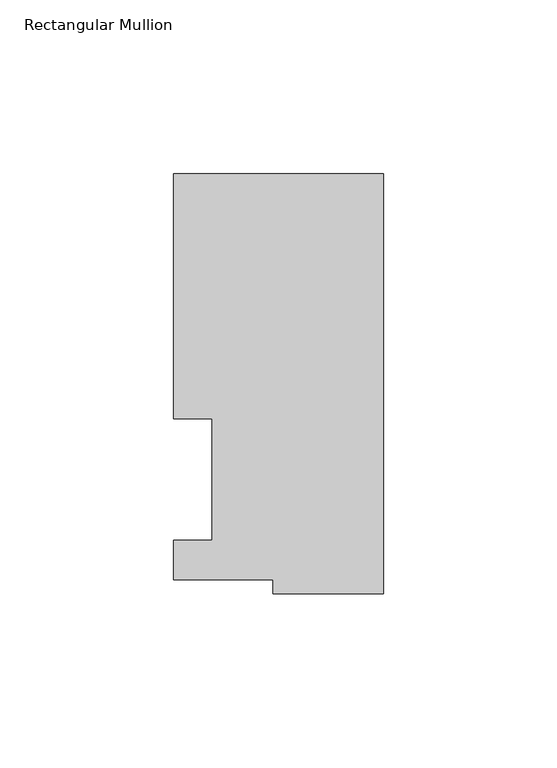
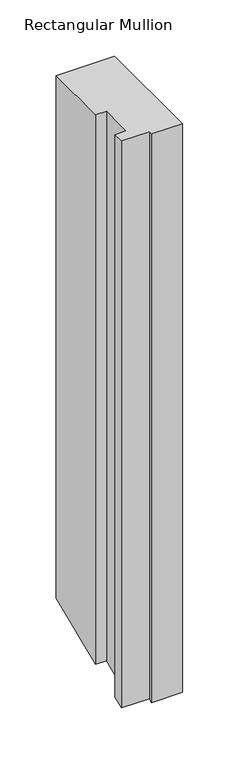
"""IFC4 building model written with IfcOpenShell, lengths in millimetres: member geometry, Rectangular Mullion."""

from ifc_helpers import new_model, si_unit, origin, place, context, project, spatial, faceted_brep, source, transform, mapped, element, save


def rectangular_mullion_d82d3d9d(model_context):
    return source(origin(), model_context, "Body", "Brep", [
        faceted_brep([(-60.325, 117.4859878, 0.0), (-60.325, 47.0517878, 0.0), (-49.2252, 47.0517878, 0.0), (-49.2252, 12.1267878, 0.0), (-60.325, 12.1267878, 0.0), (-60.325, 0.7221701, 0.0), (-31.75, 0.7221701, 0.0), (-31.75, -3.3164122, 0.0), (0.0, -3.3164122, 0.0), (0.0, 117.4859878, 0.0), (-60.325, 117.4859878, -567.4380975), (-60.325, 47.0517878, -596.6128984), (-49.2252, 47.0517878, -596.6128984), (-49.2252, 12.1267878, -611.079307), (-60.325, 12.1267878, -611.079307), (-60.325, 0.7221701, -615.8032544), (-31.75, 0.7221701, -615.8032544), (-31.75, -3.3164122, -617.4760899), (0.0, -3.3164122, -617.4760899), (0.0, 117.4859878, -567.4380975)], [[[0, 1, 2, 3, 4, 5, 6, 7, 8, 9]], [[1, 0, 10, 11]], [[2, 1, 11, 12]], [[3, 2, 12, 13]], [[4, 3, 13, 14]], [[5, 4, 14, 15]], [[6, 5, 15, 16]], [[7, 6, 16, 17]], [[8, 7, 17, 18]], [[9, 8, 18, 19]], [[0, 9, 19, 10]], [[10, 19, 18, 17, 16, 15, 14, 13, 12, 11]]]),
    ])


if __name__ == "__main__":
    model = new_model("IFC4")
    model_context = context("Model", 3, world=origin())
    ifc_project = project(units=[si_unit("LENGTHUNIT", "METRE", prefix="MILLI")], contexts=[model_context])
    site = spatial("IfcSite", under=ifc_project)
    building = spatial("IfcBuilding", under=site)
    placement = place(None, origin())
    rectangular_mullion_shape = rectangular_mullion_d82d3d9d(model_context)
    element("IfcMember", 1, ObjectType="Rectangular Mullion", at=placement, inside=building, context=model_context, shape_type="MappedRepresentation", body=[
        mapped(rectangular_mullion_shape, transform((0.0, 0.0, 0.0), x_axis=(1.0, 0.0, 0.0), y_axis=(0.0, 1.0, 0.0), z_axis=(0.0, 0.0, 1.0))),
    ])
    save(model, "model.ifc")
